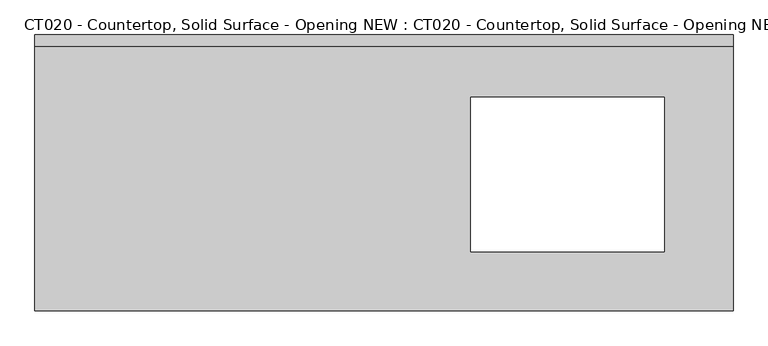
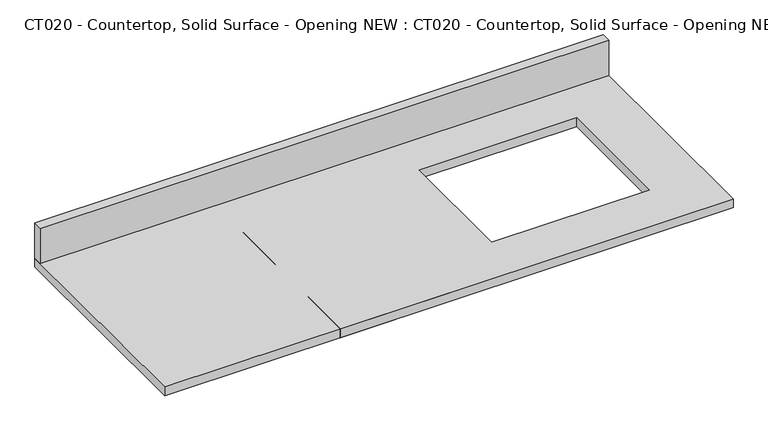
"""IFC4 building model written with IfcOpenShell, lengths in millimetres: proxy geometry, CT020 - Countertop, Solid Surface - Opening NEW : CT020 - Countertop, Solid Surface - Opening NEW."""

from ifc_helpers import new_model, si_unit, frame, origin, origin_with_axes, place, context, project, spatial, polyline, outline, extrude, source, transform, mapped, element, save


def ct020_countertop_solid_surface_opening_new_ct020_countertop_324fb787(model_context):
    return source(origin(), model_context, "Body", "SweptSolid", [
        extrude(outline(polyline([(914.4, 304.8), (914.4, -304.8), (-628.8503647, -304.8), (-628.8503647, 304.8), (914.4, 304.8)]), holes=[polyline([(762.0, 167.3223555), (334.8503302, 167.3223555), (334.8503302, -175.0162866), (762.0, -175.0162866), (762.0, 167.3223555)])]), origin_with_axes(), (0.0, 0.0, 1.0), 25.4),
        extrude(outline(polyline([(-628.8503647, 279.4), (-628.8503647, 304.8), (914.4, 304.8), (914.4, 279.4), (-628.8503647, 279.4)])), frame((0.0, 0.0, 25.4), z_axis=(0.0, 0.0, 1.0), x_axis=(1.0, 0.0, 0.0)), (0.0, 0.0, 1.0), 101.6),
        extrude(outline(polyline([(-152.4, 304.8), (152.4, 304.8), (152.4, -304.8), (-152.4, -304.8), (-152.4, 0.0), (-152.4, 304.8)])), origin_with_axes(), (0.0, 0.0, 1.0), 25.4),
    ])


if __name__ == "__main__":
    model = new_model("IFC4")
    model_context = context("Model", 3, world=origin())
    ifc_project = project(units=[si_unit("LENGTHUNIT", "METRE", prefix="MILLI")], contexts=[model_context])
    site = spatial("IfcSite", under=ifc_project)
    building = spatial("IfcBuilding", under=site)
    placement = place(None, origin())
    ct020_countertop_solid_surface_opening_new_ct020_countertop_shape = ct020_countertop_solid_surface_opening_new_ct020_countertop_324fb787(model_context)
    element("IfcBuildingElementProxy", 1, Name="CT020 - Countertop, Solid Surface - Opening NEW : CT020 - Countertop, Solid Surface - Opening NEW", ObjectType="CT020 - Countertop, Solid Surface - Opening NEW : CT020 - Countertop, Solid Surface - Opening NEW", at=placement, inside=building, context=model_context, shape_type="MappedRepresentation", body=[
        mapped(ct020_countertop_solid_surface_opening_new_ct020_countertop_shape, transform((0.0, 0.0, 0.0), x_axis=(1.0, 0.0, 0.0), y_axis=(0.0, 1.0, 0.0), z_axis=(0.0, 0.0, 1.0))),
    ])
    save(model, "model.ifc")
